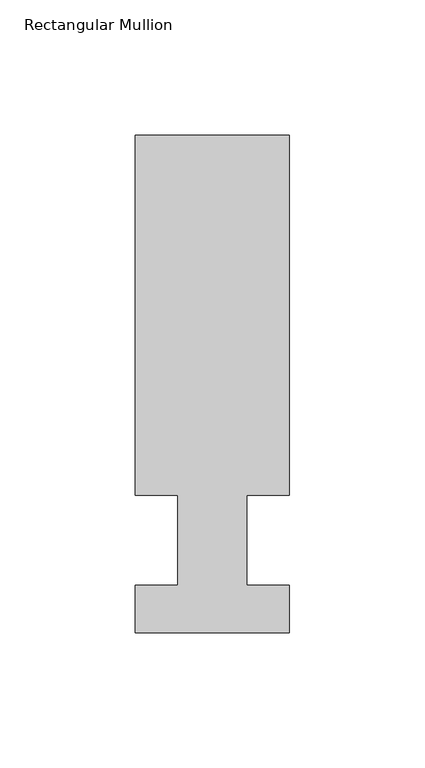
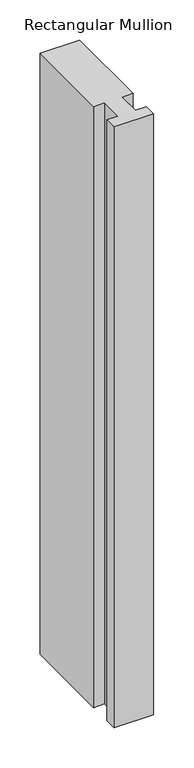
"""IFC4 building model written with IfcOpenShell, lengths in millimetres: member geometry, Rectangular Mullion."""

import ifcopenshell
import ifcopenshell.guid

model = None  # the IFC model being written
_history = None  # IfcOwnerHistory: only IFC2X3 demands one
_inside = {}  # id of a spatial element -> (the spatial element, [elements in it])
_under = {}  # id of a project, library or spatial element -> (it, [spatial elements below it])
_declared = {}  # id of a project -> (the project, [libraries it declares])
_typed = {}  # id of a type object -> (the type object, [elements of that type])
_made_of = {}  # id of a material, layer set ... -> (it, [elements and type objects made of it])


def new_model(schema):
    """Start an empty IFC model of exactly this schema.

    Asked for "IFC4X3", IfcOpenShell would pick the latest addendum, in which some entities
    have other attributes; the version numbers below select the first issue.
    IFC2X3 requires an IfcOwnerHistory on every rooted entity: one is made here for all.
    """
    global model, _history
    if schema == "IFC4X3":
        model = ifcopenshell.file(schema_version=(4, 3, 0, 0))
    else:
        model = ifcopenshell.file(schema=schema)
    _inside.clear()
    _under.clear()
    _declared.clear()
    _typed.clear()
    _made_of.clear()
    _history = None
    if model.schema == "IFC2X3":
        org = make("IfcOrganization", Name="unknown")
        user = make(
            "IfcPersonAndOrganization",
            ThePerson=make("IfcPerson", FamilyName="unknown"),
            TheOrganization=org,
        )
        app = make(
            "IfcApplication",
            ApplicationDeveloper=org,
            Version="unknown",
            ApplicationFullName="unknown",
            ApplicationIdentifier="unknown",
        )
        _history = make(
            "IfcOwnerHistory",
            OwningUser=user,
            OwningApplication=app,
            ChangeAction="ADDED",
            CreationDate=0,
        )
    return model


def make(cls, **values):
    """One entity of the class cls with the attributes given. An attribute that is None is left unset."""
    return model.create_entity(
        cls, **{name: value for name, value in values.items() if value is not None}
    )


def rooted(cls, **values):
    """An entity with a GlobalId (a new one), such as an element, a storey or a relation."""
    return make(cls, GlobalId=ifcopenshell.guid.new(), OwnerHistory=_history, **values)


def si_unit(unit_type, name, prefix=None):
    """IfcSIUnit, for example si_unit("LENGTHUNIT", "METRE", prefix="MILLI")."""
    return make("IfcSIUnit", UnitType=unit_type, Prefix=prefix, Name=name)


def assignment(units):
    """IfcUnitAssignment: the units of a project."""
    return None if units is None else make("IfcUnitAssignment", Units=units)


def point(xyz):
    """IfcCartesianPoint."""
    return None if xyz is None else make("IfcCartesianPoint", Coordinates=xyz)


def direction(xyz):
    """IfcDirection."""
    return None if xyz is None else make("IfcDirection", DirectionRatios=xyz)


def frame(location, z_axis=None, x_axis=None):
    """IfcAxis2Placement3D, a coordinate frame: its origin and axes. An axis left out is left unset."""
    return make(
        "IfcAxis2Placement3D",
        Location=point(location),
        Axis=direction(z_axis),
        RefDirection=direction(x_axis),
    )


def origin():
    """The frame at (0, 0, 0) with its axes left unset."""
    return frame((0.0, 0.0, 0.0))


def place(relative_to, where):
    """IfcLocalPlacement: puts the frame where relative to a parent placement (None: the world)."""
    return make(
        "IfcLocalPlacement", PlacementRelTo=relative_to, RelativePlacement=where
    )


def context(
    kind, dimensions, precision=None, world=None, true_north=None, identifier=None
):
    """IfcGeometricRepresentationContext, for example the 3D "Model" context."""
    return make(
        "IfcGeometricRepresentationContext",
        ContextIdentifier=identifier,
        ContextType=kind,
        CoordinateSpaceDimension=dimensions,
        Precision=precision,
        WorldCoordinateSystem=world,
        TrueNorth=true_north,
    )


def project(units=None, contexts=None):
    """IfcProject with its units and contexts."""
    return rooted(
        "IfcProject",
        Name="project",
        RepresentationContexts=contexts,
        UnitsInContext=assignment(units),
    )


def spatial(cls, under=None, at=None, **own):
    """A site, building, storey or space (cls), placed at a placement, below another one or the project."""
    s = rooted(cls, ObjectPlacement=at, **own)
    if under is not None:
        _under.setdefault(under.id(), (under, []))[1].append(s)
    return s


def polyline(points):
    """IfcPolyline through the points."""
    return make("IfcPolyline", Points=[point(p) for p in points])


def outline(outer, holes=None, kind="AREA"):
    """IfcArbitraryClosedProfileDef: a profile drawn as a closed curve; with holes, ...WithVoids."""
    if holes is None:
        return make("IfcArbitraryClosedProfileDef", ProfileType=kind, OuterCurve=outer)
    return make(
        "IfcArbitraryProfileDefWithVoids",
        ProfileType=kind,
        OuterCurve=outer,
        InnerCurves=holes,
    )


def extrude(swept, where, along, depth):
    """IfcExtrudedAreaSolid: the profile swept, set in the frame where, extruded along a direction by depth."""
    return make(
        "IfcExtrudedAreaSolid",
        SweptArea=swept,
        Position=where,
        ExtrudedDirection=direction(along),
        Depth=depth,
    )


def shape(context_of_items, identifier, shape_type, items):
    """IfcShapeRepresentation: the items that make up one representation, for example the "Body"."""
    return make(
        "IfcShapeRepresentation",
        ContextOfItems=context_of_items,
        RepresentationIdentifier=identifier,
        RepresentationType=shape_type,
        Items=items,
    )


def source(mapping_origin, context_of_items, identifier, shape_type, items):
    """IfcRepresentationMap: a shape defined once, which mapped items show again and again."""
    return make(
        "IfcRepresentationMap",
        MappingOrigin=mapping_origin,
        MappedRepresentation=shape(context_of_items, identifier, shape_type, items),
    )


def transform(
    local_origin,
    x_axis=None,
    y_axis=None,
    z_axis=None,
    scale=None,
    scale2=None,
    scale3=None,
    uniform=True,
):
    """IfcCartesianTransformationOperator3D, or its non-uniform kind. x_axis, y_axis, z_axis: its Axis1, 2, 3."""
    if uniform:
        return make(
            "IfcCartesianTransformationOperator3D",
            Axis1=direction(x_axis),
            Axis2=direction(y_axis),
            LocalOrigin=point(local_origin),
            Scale=scale,
            Axis3=direction(z_axis),
        )
    return make(
        "IfcCartesianTransformationOperator3DnonUniform",
        Axis1=direction(x_axis),
        Axis2=direction(y_axis),
        LocalOrigin=point(local_origin),
        Scale=scale,
        Axis3=direction(z_axis),
        Scale2=scale2,
        Scale3=scale3,
    )


def mapped(mapping_source, mapping_target):
    """IfcMappedItem: shows the shape of a source again, moved by a transform."""
    return make(
        "IfcMappedItem", MappingSource=mapping_source, MappingTarget=mapping_target
    )


def made_of(thing, what):
    """Note that an element or type object is made of a material, layer set ...; save() writes the relation."""
    if what is not None:
        _made_of.setdefault(what.id(), (what, []))[1].append(thing)
    return thing


def element(
    cls,
    number,
    at=None,
    inside=None,
    cuts=None,
    type_object=None,
    material=None,
    context=None,
    identifier="Body",
    shape_type=None,
    held_by="IfcProductDefinitionShape",
    body=None,
    shapes=None,
    **own,
):
    """One element of the class cls, such as IfcWall. Its Tag is "e" and its number.

    at: its placement. inside: the storey or other place that contains it. cuts: it is an
    opening in that element (IfcRelVoidsElement). A single representation is given by context,
    identifier, shape_type and body (its items); several are given by shapes. held_by: the class
    of the entity that holds the representations. save() writes the other relations.
    """
    e = rooted(cls, Tag="e%d" % number, ObjectPlacement=at, **own)
    if body is not None:
        shapes = [shape(context, identifier, shape_type, body)]
    if shapes is not None:
        e.Representation = make(held_by, Representations=shapes)
    if inside is not None:
        _inside.setdefault(inside.id(), (inside, []))[1].append(e)
    if cuts is not None:
        rooted(
            "IfcRelVoidsElement", RelatingBuildingElement=cuts, RelatedOpeningElement=e
        )
    if type_object is not None:
        _typed.setdefault(type_object.id(), (type_object, []))[1].append(e)
    return made_of(e, material)


def aggregate(whole, parts):
    """IfcRelAggregates: a whole, such as a stair, and the parts it consists of."""
    return rooted("IfcRelAggregates", RelatingObject=whole, RelatedObjects=parts)


def save(model, path):
    """Write the relations noted so far, then the file.

    IfcRelAggregates (storeys below a building ...), IfcRelContainedInSpatialStructure (elements
    in a storey), IfcRelDefinesByType, IfcRelAssociatesMaterial and IfcRelDeclares: one each for
    every whole, place, type object, material and project.
    """
    for whole, parts in _under.values():
        aggregate(whole, parts)
    for where, things in _inside.values():
        rooted(
            "IfcRelContainedInSpatialStructure",
            RelatedElements=things,
            RelatingStructure=where,
        )
    for kind, things in _typed.values():
        rooted("IfcRelDefinesByType", RelatedObjects=things, RelatingType=kind)
    for what, things in _made_of.values():
        rooted("IfcRelAssociatesMaterial", RelatedObjects=things, RelatingMaterial=what)
    for by, libraries in _declared.values():
        rooted("IfcRelDeclares", RelatingContext=by, RelatedDefinitions=libraries)
    model.write(path)


def rectangular_mullion_23912d41(model_context):
    return source(origin(), model_context, "Body", "SweptSolid", [
        extrude(outline(polyline([(32.9094027, 150.01875), (32.9094027, 16.66875), (17.0326322, 16.66875), (17.0326322, -16.66875), (32.9094027, -16.66875), (32.9094027, -34.13125), (-24.2405973, -34.13125), (-24.2405973, -16.66875), (-8.3655973, -16.66875), (-8.3655973, 16.66875), (-24.2405973, 16.66875), (-24.2405973, 150.01875), (32.9094027, 150.01875)])), frame((0.0, 0.0, -913.2405973), z_axis=(0.0, 0.0, 1.0), x_axis=(1.0, 0.0, 0.0)), (0.0, 0.0, 1.0), 913.2405973),
    ])


if __name__ == "__main__":
    model = new_model("IFC4")
    model_context = context("Model", 3, world=origin())
    ifc_project = project(units=[si_unit("LENGTHUNIT", "METRE", prefix="MILLI")], contexts=[model_context])
    site = spatial("IfcSite", under=ifc_project)
    building = spatial("IfcBuilding", under=site)
    placement = place(None, origin())
    rectangular_mullion_shape = rectangular_mullion_23912d41(model_context)
    element("IfcMember", 1, ObjectType="Rectangular Mullion", at=placement, inside=building, context=model_context, shape_type="MappedRepresentation", body=[
        mapped(rectangular_mullion_shape, transform((0.0, 0.0, 0.0), x_axis=(1.0, 0.0, 0.0), y_axis=(0.0, 1.0, 0.0), z_axis=(0.0, 0.0, 1.0))),
    ])
    save(model, "model.ifc")
